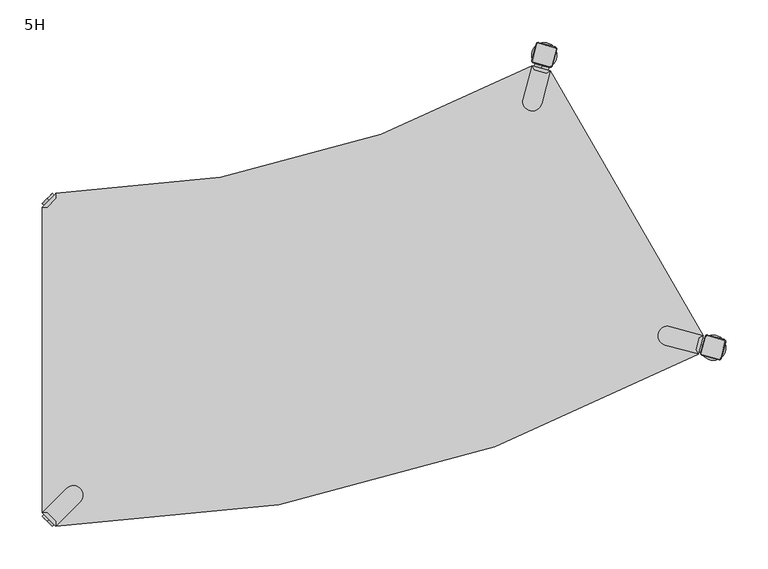
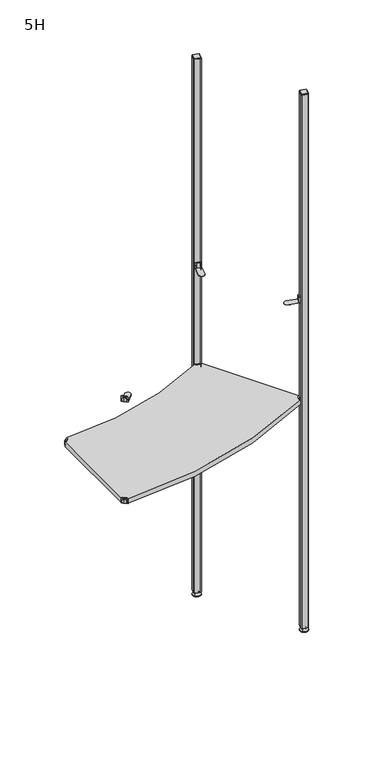
"""IFC4 building model written with IfcOpenShell, lengths in millimetres: furniture geometry, 5H."""

from ifc_helpers import new_model, si_unit, point, frame, frame_2d, origin, place, context, project, spatial, polyline, circle_curve, trimmed, segment, composite_curve, outline, extrude, source, transform, mapped, element, save
from ifc_brep_helpers import plane_surface, cylinder_surface, revolved_surface, advanced_brep


def furniture_5h_2b7b3fd9(model_context):
    return source(origin(), model_context, "Body", "SolidModel", [
        advanced_brep(
        [(784.3573865, 207.0864775, 0.0), (810.3381486, 222.0864775, 0.0), (797.3477675, 214.5864775, 0.0), (784.3573865, 207.0864775, 2.0), (810.3381486, 222.0864775, 2.0), (790.4195643, 210.5864775, 9.0), (804.2759707, 218.5864775, 9.0), (793.8836659, 212.5864775, 9.0), (800.8118691, 216.5864775, 9.0), (793.8836659, 212.5864775, 15.0), (800.8118691, 216.5864775, 15.0), (797.3477675, 214.5864775, 15.0)],
        [
            (0, 1, circle_curve(frame((797.3477675, 214.5864775, 0.0), z_axis=(0.0, 0.0, -1.0), x_axis=(0.8660254037844338, 0.5000000000000082, 0.0)), 15.0)),
            (1, 2),
            (2, 0),
            (1, 0, circle_curve(frame((797.3477675, 214.5864775, 0.0), z_axis=(0.0, 0.0, -1.0), x_axis=(0.8660254037844338, 0.5000000000000082, 0.0)), 15.0)),
            (3, 4, circle_curve(frame((797.3477675, 214.5864775, 2.0), z_axis=(0.0, 0.0, -1.0), x_axis=(0.8660254037844338, 0.5000000000000082, 0.0)), 15.0)),
            (4, 1),
            (0, 3),
            (4, 3, circle_curve(frame((797.3477675, 214.5864775, 2.0), z_axis=(0.0, 0.0, -1.0), x_axis=(0.8660254037844338, 0.5000000000000082, 0.0)), 15.0)),
            (5, 6, circle_curve(frame((797.3477675, 214.5864775, 9.0), z_axis=(0.0, 0.0, -1.0), x_axis=(0.8660254037844338, 0.5000000000000082, 0.0)), 8.0)),
            (6, 4),
            (3, 5),
            (6, 5, circle_curve(frame((797.3477675, 214.5864775, 9.0), z_axis=(0.0, 0.0, -1.0), x_axis=(0.8660254037844338, 0.5000000000000082, 0.0)), 8.0)),
            (7, 8, circle_curve(frame((797.3477675, 214.5864775, 9.0), z_axis=(0.0, 0.0, -1.0), x_axis=(0.8660254037844338, 0.5000000000000082, 0.0)), 4.0)),
            (8, 6),
            (5, 7),
            (8, 7, circle_curve(frame((797.3477675, 214.5864775, 9.0), z_axis=(0.0, 0.0, -1.0), x_axis=(0.8660254037844338, 0.5000000000000082, 0.0)), 4.0)),
            (9, 10, circle_curve(frame((797.3477675, 214.5864775, 15.0), z_axis=(0.0, 0.0, -1.0), x_axis=(0.8660254037844338, 0.5000000000000082, 0.0)), 4.0)),
            (10, 8),
            (7, 9),
            (10, 9, circle_curve(frame((797.3477675, 214.5864775, 15.0), z_axis=(0.0, 0.0, -1.0), x_axis=(0.8660254037844338, 0.5000000000000082, 0.0)), 4.0)),
            (11, 10),
            (9, 11),
        ],
        [
            plane_surface(frame((797.3477675, 214.5864775, 0.0), z_axis=(0.0, 0.0, -1.0), x_axis=(0.8660254037844339, 0.5000000000000083, 0.0))),
            cylinder_surface(frame((797.3477675, 214.5864775, 18.6083303), z_axis=(0.0, 0.0, 1.0), x_axis=(0.8660254037844338, 0.5000000000000082, 0.0)), 15.0),
            revolved_surface(polyline([(810.3381486, 222.0864775, 2.0), (804.2759707, 218.5864775, 9.0)]), (797.3477675, 214.5864775, 18.6083303), (0.0, 0.0, 1.0)),
            plane_surface(frame((797.3477675, 214.5864775, 9.0), z_axis=(0.0, 0.0, 1.0), x_axis=(0.8660254037844339, 0.5000000000000083, 0.0))),
            cylinder_surface(frame((797.3477675, 214.5864775, 18.6083303), z_axis=(0.0, 0.0, 1.0), x_axis=(0.8660254037844338, 0.5000000000000082, 0.0)), 4.0),
            plane_surface(frame((797.3477675, 214.5864775, 15.0), z_axis=(0.0, 0.0, 1.0), x_axis=(0.8660254037844339, 0.5000000000000083, 0.0))),
        ],
        [
            (0, [[1, 2, 3]]),
            (0, [[4, -3, -2]]),
            (1, [[5, 6, -1, 7]]),
            (1, [[8, -7, -4, -6]]),
            (2, [[9, 10, -5, 11]]),
            (2, [[12, -11, -8, -10]]),
            (3, [[13, 14, -9, 15]]),
            (3, [[16, -15, -12, -14]]),
            (4, [[17, 18, -13, 19]]),
            (4, [[20, -19, -16, -18]]),
            (5, [[21, -17, 22]]),
            (5, [[-22, -20, -21]]),
        ],
    ),
        advanced_brep(
        [(788.6346258, 227.2739186, 2117.0), (783.4582449, 207.9554021, 2117.0), (784.6603264, 205.8733358, 2117.0), (803.9788429, 200.6969549, 2117.0), (806.0609092, 201.8990364, 2117.0), (811.2372901, 221.2175529, 2117.0), (810.0352086, 223.2996192, 2117.0), (790.7166921, 228.4760001, 2117.0), (787.8618851, 227.4809738, 2115.0), (790.9237473, 229.2487408, 2115.0), (810.2422638, 224.0723599, 2115.0), (812.0100308, 221.0104977, 2115.0), (806.8336499, 201.6919812, 2115.0), (803.7717877, 199.9242142, 2115.0), (784.4532712, 205.1005951, 2115.0), (782.6855042, 208.1624573, 2115.0)],
        [
            (0, 1),
            (1, 2, circle_curve(frame((785.1003188, 207.5154097, 2117.0), z_axis=(0.0, 0.0, 1.0), x_axis=(-0.965925826289073, 0.25881904510250314, 0.0)), 1.7)),
            (2, 3),
            (3, 4, circle_curve(frame((804.4188353, 202.3390288, 2117.0), z_axis=(0.0, 0.0, 1.0), x_axis=(-0.25881904510251363, -0.9659258262890702, 0.0)), 1.7)),
            (4, 5),
            (5, 6, circle_curve(frame((809.5952162, 221.6575453, 2117.0), z_axis=(0.0, 0.0, 1.0), x_axis=(0.9659258262890675, -0.258819045102523, 0.0)), 1.7)),
            (6, 7),
            (7, 0, circle_curve(frame((790.2766997, 226.8339262, 2117.0), z_axis=(0.0, 0.0, 1.0), x_axis=(0.25881904510250914, 0.9659258262890713, 0.0)), 1.7)),
            (8, 9, circle_curve(frame((790.2766997, 226.8339262, 2115.0), z_axis=(0.0, 0.0, -1.0), x_axis=(0.25881904510250914, 0.9659258262890713, 0.0)), 2.5)),
            (9, 10),
            (10, 11, circle_curve(frame((809.5952162, 221.6575453, 2115.0), z_axis=(0.0, 0.0, -1.0), x_axis=(0.9659258262890675, -0.258819045102523, 0.0)), 2.5)),
            (11, 12),
            (12, 13, circle_curve(frame((804.4188353, 202.3390288, 2115.0), z_axis=(0.0, 0.0, -1.0), x_axis=(-0.25881904510251363, -0.9659258262890702, 0.0)), 2.5)),
            (13, 14),
            (14, 15, circle_curve(frame((785.1003188, 207.5154097, 2115.0), z_axis=(0.0, 0.0, -1.0), x_axis=(-0.965925826289073, 0.25881904510250314, 0.0)), 2.5)),
            (15, 8),
            (15, 1),
            (0, 8),
            (14, 2),
            (13, 3),
            (12, 4),
            (11, 5),
            (10, 6),
            (9, 7),
        ],
        [
            plane_surface(frame((797.3477675, 214.5864775, 2117.0), z_axis=(0.0, 0.0, 1.0000000000000002), x_axis=(-0.9659258262890712, 0.2588190451025102, 0.0))),
            plane_surface(frame((797.3477675, 214.5864775, 2115.0), z_axis=(0.0, 0.0, -1.0000000000000002), x_axis=(-0.9659258262890712, 0.2588190451025102, 0.0))),
            plane_surface(frame((785.2736947, 217.8217156, 2115.0), z_axis=(-0.8968396148335178, 0.24030745053486183, 0.37139067635402817), x_axis=(-0.25881904510250225, -0.9659258262890733, 0.0))),
            revolved_surface(polyline([(783.458244872, 207.95540206799998, 2117.0), (782.6855042, 208.1624573, 2115.0)]), (785.1003188, 207.5154097, 2121.25), (0.0, 0.0, -1.0)),
            plane_surface(frame((794.1125294, 202.5124047, 2115.0), z_axis=(-0.2403074505348654, -0.8968396148335208, 0.37139067635401873), x_axis=(0.9659258262890725, -0.2588190451025051, 0.0))),
            revolved_surface(polyline([(803.978842932, 200.696954872, 2117.0), (803.7717877, 199.9242142, 2115.0)]), (804.4188353, 202.3390288, 2121.25), (0.0, 0.0, -1.0)),
            plane_surface(frame((809.4218403, 211.3512394, 2115.0), z_axis=(0.8968396148335338, -0.24030745053487898, 0.3713906763539787), x_axis=(0.25881904510252046, 0.9659258262890684, 0.0))),
            revolved_surface(polyline([(811.2372901279999, 221.21755293200002, 2117.0), (812.0100308, 221.0104977, 2115.0)]), (809.5952162, 221.6575453, 2121.25), (0.0, 0.0, -1.0)),
            plane_surface(frame((800.5830056, 226.6605503, 2115.0), z_axis=(0.24030745053488872, 0.8968396148335293, 0.3713906763539829), x_axis=(-0.9659258262890682, 0.25881904510252096, 0.0))),
            revolved_surface(polyline([(790.7166920679999, 228.476000128, 2117.0), (790.9237473, 229.2487408, 2115.0)]), (790.2766997, 226.8339262, 2121.25), (0.0, 0.0, -1.0)),
        ],
        [
            (0, [[1, 2, 3, 4, 5, 6, 7, 8]]),
            (1, [[9, 10, 11, 12, 13, 14, 15, 16]]),
            (2, [[-16, 17, -1, 18]]),
            (3, [[-15, 19, -2, -17]]),
            (4, [[-14, 20, -3, -19]]),
            (5, [[-13, 21, -4, -20]]),
            (6, [[-12, 22, -5, -21]]),
            (7, [[-11, 23, -6, -22]]),
            (8, [[-10, 24, -7, -23]]),
            (9, [[-9, -18, -8, -24]]),
        ],
    ),
        extrude(outline(composite_curve([segment(trimmed(circle_curve(frame_2d((809.5952162, 221.6575453)), 2.5), [point((810.2422638, 224.0723599))], [point((812.0100308, 221.0104977))], False, "CARTESIAN"), True, "CONTINUOUS"), segment(polyline([(812.0100308, 221.0104977), (806.8336499, 201.6919812)]), True, "CONTINUOUS"), segment(trimmed(circle_curve(frame_2d((804.4188353, 202.3390288)), 2.5), [point((806.8336499, 201.6919812))], [point((803.7717877, 199.9242142))], False, "CARTESIAN"), True, "CONTINUOUS"), segment(polyline([(803.7717877, 199.9242142), (784.4532712, 205.1005951)]), True, "CONTINUOUS"), segment(trimmed(circle_curve(frame_2d((785.1003188, 207.5154097)), 2.5), [point((784.4532712, 205.1005951))], [point((782.6855042, 208.1624573))], False, "CARTESIAN"), True, "CONTINUOUS"), segment(polyline([(782.6855042, 208.1624573), (787.8618851, 227.4809738)]), True, "CONTINUOUS"), segment(trimmed(circle_curve(frame_2d((790.2766997, 226.8339262)), 2.5), [point((787.8618851, 227.4809738))], [point((790.9237473, 229.2487408))], False, "CARTESIAN"), True, "CONTINUOUS"), segment(polyline([(790.9237473, 229.2487408), (810.2422638, 224.0723599)]), True, "CONTINUOUS")], self_intersect=False)), frame((0.0, 0.0, 15.0), z_axis=(0.0, 0.0, 1.0), x_axis=(1.0, 0.0, 0.0)), (0.0, 0.0, 1.0), 2100.0),
        advanced_brep(
        [(584.3575668, 553.4963267, 0.0), (597.3479479, 560.9963267, 0.0), (610.3383289, 568.4963267, 0.0), (584.3575668, 553.4963267, 2.0), (610.3383289, 568.4963267, 2.0), (590.4197446, 556.9963267, 9.0), (604.2761511, 564.9963267, 9.0), (593.8838462, 558.9963267, 9.0), (600.8120495, 562.9963267, 9.0), (593.8838462, 558.9963267, 15.0), (600.8120495, 562.9963267, 15.0), (597.3479479, 560.9963267, 15.0)],
        [
            (0, 1),
            (1, 2),
            (2, 0, circle_curve(frame((597.3479479, 560.9963267, 0.0), z_axis=(0.0, 0.0, -1.0), x_axis=(0.866025403784441, 0.4999999999999961, 0.0)), 15.0)),
            (0, 2, circle_curve(frame((597.3479479, 560.9963267, 0.0), z_axis=(0.0, 0.0, -1.0), x_axis=(0.866025403784441, 0.4999999999999961, 0.0)), 15.0)),
            (3, 0),
            (2, 4),
            (4, 3, circle_curve(frame((597.3479479, 560.9963267, 2.0), z_axis=(0.0, 0.0, -1.0), x_axis=(0.866025403784441, 0.4999999999999961, 0.0)), 15.0)),
            (3, 4, circle_curve(frame((597.3479479, 560.9963267, 2.0), z_axis=(0.0, 0.0, -1.0), x_axis=(0.866025403784441, 0.4999999999999961, 0.0)), 15.0)),
            (5, 3),
            (4, 6),
            (6, 5, circle_curve(frame((597.3479479, 560.9963267, 9.0), z_axis=(0.0, 0.0, -1.0), x_axis=(0.866025403784441, 0.4999999999999961, 0.0)), 8.0)),
            (5, 6, circle_curve(frame((597.3479479, 560.9963267, 9.0), z_axis=(0.0, 0.0, -1.0), x_axis=(0.866025403784441, 0.4999999999999961, 0.0)), 8.0)),
            (7, 5),
            (6, 8),
            (8, 7, circle_curve(frame((597.3479479, 560.9963267, 9.0), z_axis=(0.0, 0.0, -1.0), x_axis=(0.866025403784441, 0.4999999999999961, 0.0)), 4.0)),
            (7, 8, circle_curve(frame((597.3479479, 560.9963267, 9.0), z_axis=(0.0, 0.0, -1.0), x_axis=(0.866025403784441, 0.4999999999999961, 0.0)), 4.0)),
            (9, 7),
            (8, 10),
            (10, 9, circle_curve(frame((597.3479479, 560.9963267, 15.0), z_axis=(0.0, 0.0, -1.0), x_axis=(0.866025403784441, 0.4999999999999961, 0.0)), 4.0)),
            (9, 10, circle_curve(frame((597.3479479, 560.9963267, 15.0), z_axis=(0.0, 0.0, -1.0), x_axis=(0.866025403784441, 0.4999999999999961, 0.0)), 4.0)),
            (11, 9),
            (10, 11),
        ],
        [
            plane_surface(frame((597.3479479, 560.9963267, 0.0), z_axis=(0.0, 0.0, -1.0000000000000002), x_axis=(0.866025403784441, 0.4999999999999961, 0.0))),
            cylinder_surface(frame((597.3479479, 560.9963267, 18.6083303), z_axis=(0.0, 0.0, 1.0), x_axis=(0.866025403784441, 0.4999999999999961, 0.0)), 15.0),
            revolved_surface(polyline([(610.3383289, 568.4963267, 2.0), (604.2761511, 564.9963267, 9.0)]), (597.3479479, 560.9963267, 18.6083303), (0.0, 0.0, 1.0)),
            plane_surface(frame((597.3479479, 560.9963267, 9.0), z_axis=(0.0, 0.0, 1.0000000000000002), x_axis=(0.866025403784441, 0.4999999999999961, 0.0))),
            cylinder_surface(frame((597.3479479, 560.9963267, 18.6083303), z_axis=(0.0, 0.0, 1.0), x_axis=(0.866025403784441, 0.4999999999999961, 0.0)), 4.0),
            plane_surface(frame((597.3479479, 560.9963267, 15.0), z_axis=(0.0, 0.0, 1.0000000000000002), x_axis=(0.866025403784441, 0.4999999999999961, 0.0))),
        ],
        [
            (0, [[1, 2, 3]]),
            (0, [[-2, -1, 4]]),
            (1, [[5, -3, 6, 7]]),
            (1, [[-6, -4, -5, 8]]),
            (2, [[9, -7, 10, 11]]),
            (2, [[-10, -8, -9, 12]]),
            (3, [[13, -11, 14, 15]]),
            (3, [[-14, -12, -13, 16]]),
            (4, [[17, -15, 18, 19]]),
            (4, [[-18, -16, -17, 20]]),
            (5, [[21, -19, 22]]),
            (5, [[-22, -20, -21]]),
        ],
    ),
        advanced_brep(
        [(603.9790233, 547.106804, 2117.0), (606.0610896, 548.3088856, 2117.0), (611.2374705, 567.6274021, 2117.0), (610.0353889, 569.7094684, 2117.0), (590.7168724, 574.8858493, 2117.0), (588.6348061, 573.6837677, 2117.0), (583.4584252, 554.3652512, 2117.0), (584.6605068, 552.2831849, 2117.0), (603.7719681, 546.3340634, 2115.0), (584.4534515, 551.5104443, 2115.0), (582.6856846, 554.5723065, 2115.0), (587.8620655, 573.890823, 2115.0), (590.9239277, 575.6585899, 2115.0), (610.2424442, 570.482209, 2115.0), (612.0102111, 567.4203469, 2115.0), (606.8338302, 548.1018303, 2115.0)],
        [
            (0, 1, circle_curve(frame((604.4190157, 548.7488779, 2117.0), z_axis=(0.0, 0.0, 1.0), x_axis=(0.9659258262890666, -0.2588190451025275, 0.0)), 1.7)),
            (1, 2),
            (2, 3, circle_curve(frame((609.5953966, 568.0673945, 2117.0), z_axis=(0.0, 0.0, 1.0), x_axis=(0.2588190451025136, 0.9659258262890702, 0.0)), 1.7)),
            (3, 4),
            (4, 5, circle_curve(frame((590.27688, 573.2437754, 2117.0), z_axis=(0.0, 0.0, 1.0), x_axis=(-0.9659258262890679, 0.25881904510252307, 0.0)), 1.7)),
            (5, 6),
            (6, 7, circle_curve(frame((585.1004991, 553.9252588, 2117.0), z_axis=(0.0, 0.0, 1.0), x_axis=(-0.2588190451025336, -0.9659258262890651, 0.0)), 1.7)),
            (7, 0),
            (8, 9),
            (9, 10, circle_curve(frame((585.1004991, 553.9252588, 2115.0), z_axis=(0.0, 0.0, -1.0), x_axis=(-0.2588190451025336, -0.9659258262890651, 0.0)), 2.5)),
            (10, 11),
            (11, 12, circle_curve(frame((590.27688, 573.2437754, 2115.0), z_axis=(0.0, 0.0, -1.0), x_axis=(-0.9659258262890679, 0.25881904510252307, 0.0)), 2.5)),
            (12, 13),
            (13, 14, circle_curve(frame((609.5953966, 568.0673945, 2115.0), z_axis=(0.0, 0.0, -1.0), x_axis=(0.2588190451025136, 0.9659258262890702, 0.0)), 2.5)),
            (14, 15),
            (15, 8, circle_curve(frame((604.4190157, 548.7488779, 2115.0), z_axis=(0.0, 0.0, -1.0), x_axis=(0.9659258262890666, -0.2588190451025275, 0.0)), 2.5)),
            (8, 0),
            (7, 9),
            (6, 10),
            (5, 11),
            (4, 12),
            (3, 13),
            (2, 14),
            (1, 15),
        ],
        [
            plane_surface(frame((597.3479479, 560.9963267, 2117.0), z_axis=(0.0, 0.0, 1.0000000000000002), x_axis=(-0.25881904510252657, -0.9659258262890669, 0.0))),
            plane_surface(frame((597.3479479, 560.9963267, 2115.0), z_axis=(0.0, 0.0, -1.0000000000000002), x_axis=(-0.25881904510252657, -0.9659258262890669, 0.0))),
            plane_surface(frame((594.1127098, 548.9222538, 2115.0), z_axis=(-0.24030745053489166, -0.8968396148335098, 0.37139067635402817), x_axis=(-0.9659258262890646, 0.2588190451025344, 0.0))),
            revolved_surface(polyline([(584.660506732, 552.2831849400001, 2117.0), (584.4534515, 551.5104443, 2115.0)]), (585.1004991, 553.9252588, 2121.25), (0.0, 0.0, -1.0)),
            plane_surface(frame((585.273875, 564.2315647, 2115.0), z_axis=(-0.8968396148335143, 0.2403074505348901, 0.37139067635401884), x_axis=(0.2588190451025317, 0.9659258262890655, 0.0))),
            revolved_surface(polyline([(588.63480614, 573.6837677679999, 2117.0), (587.8620655, 573.890823, 2115.0)]), (590.27688, 573.2437754, 2121.25), (0.0, 0.0, -1.0)),
            plane_surface(frame((600.5831859, 573.0703995, 2115.0), z_axis=(0.24030745053488473, 0.8968396148335321, 0.3713906763539787), x_axis=(0.9659258262890695, -0.2588190451025162, 0.0))),
            revolved_surface(polyline([(610.035388968, 569.70946836, 2117.0), (610.2424442, 570.482209, 2115.0)]), (609.5953966, 568.0673945, 2121.25), (0.0, 0.0, -1.0)),
            plane_surface(frame((609.4220207, 557.7610886, 2115.0), z_axis=(0.8968396148335332, -0.24030745053487412, 0.37139067635398293), x_axis=(-0.2588190451025157, -0.9659258262890696, 0.0))),
            revolved_surface(polyline([(606.06108956, 548.308885532, 2117.0), (606.8338302, 548.1018303, 2115.0)]), (604.4190157, 548.7488779, 2121.25), (0.0, 0.0, -1.0)),
        ],
        [
            (0, [[1, 2, 3, 4, 5, 6, 7, 8]]),
            (1, [[9, 10, 11, 12, 13, 14, 15, 16]]),
            (2, [[17, -8, 18, -9]]),
            (3, [[-18, -7, 19, -10]]),
            (4, [[-19, -6, 20, -11]]),
            (5, [[-20, -5, 21, -12]]),
            (6, [[-21, -4, 22, -13]]),
            (7, [[-22, -3, 23, -14]]),
            (8, [[-23, -2, 24, -15]]),
            (9, [[-24, -1, -17, -16]]),
        ],
    ),
        extrude(outline(composite_curve([segment(polyline([(612.0102111, 567.4203469), (606.8338302, 548.1018303)]), True, "CONTINUOUS"), segment(trimmed(circle_curve(frame_2d((604.4190157, 548.7488779)), 2.5), [point((606.8338302, 548.1018303))], [point((603.7719681, 546.3340634))], False, "CARTESIAN"), True, "CONTINUOUS"), segment(polyline([(603.7719681, 546.3340634), (584.4534515, 551.5104443)]), True, "CONTINUOUS"), segment(trimmed(circle_curve(frame_2d((585.1004991, 553.9252588)), 2.5), [point((584.4534515, 551.5104443))], [point((582.6856846, 554.5723065))], False, "CARTESIAN"), True, "CONTINUOUS"), segment(polyline([(582.6856846, 554.5723065), (587.8620655, 573.890823)]), True, "CONTINUOUS"), segment(trimmed(circle_curve(frame_2d((590.27688, 573.2437754)), 2.5), [point((587.8620655, 573.890823))], [point((590.9239277, 575.6585899))], False, "CARTESIAN"), True, "CONTINUOUS"), segment(polyline([(590.9239277, 575.6585899), (610.2424442, 570.482209)]), True, "CONTINUOUS"), segment(trimmed(circle_curve(frame_2d((609.5953966, 568.0673945)), 2.5), [point((610.2424442, 570.482209))], [point((612.0102111, 567.4203469))], False, "CARTESIAN"), True, "CONTINUOUS")], self_intersect=False)), frame((0.0, 0.0, 15.0), z_axis=(0.0, 0.0, 1.0), x_axis=(1.0, 0.0, 0.0)), (0.0, 0.0, 1.0), 2100.0),
        advanced_brep(
        [(10.9601551, 10.9601551, 898.5), (10.9601551, 10.9601551, 907.0), (10.9601551, 10.9601551, 915.5), (8.8388348, 8.8388348, 898.5), (8.8388348, 8.8388348, 915.5), (8.8388348, 8.8388348, 907.0)],
        [
            (0, 1),
            (1, 2),
            (2, 0, circle_curve(frame((10.9601551, 10.9601551, 907.0), z_axis=(0.7071067811865465, 0.7071067811865486, 0.0), x_axis=(0.0, 0.0, 1.0)), 8.5)),
            (0, 2, circle_curve(frame((10.9601551, 10.9601551, 907.0), z_axis=(0.7071067811865465, 0.7071067811865486, 0.0), x_axis=(0.0, 0.0, 1.0)), 8.5)),
            (3, 0),
            (2, 4),
            (4, 3, circle_curve(frame((8.8388348, 8.8388348, 907.0), z_axis=(0.7071067811865465, 0.7071067811865486, 0.0), x_axis=(0.0, 0.0, 1.0)), 8.5)),
            (3, 4, circle_curve(frame((8.8388348, 8.8388348, 907.0), z_axis=(0.7071067811865465, 0.7071067811865486, 0.0), x_axis=(0.0, 0.0, 1.0)), 8.5)),
            (5, 3),
            (4, 5),
        ],
        [
            plane_surface(frame((10.9601551, 10.9601551, 907.0), z_axis=(0.7071067811865461, 0.707106781186549, 0.0), x_axis=(0.0, 0.0, 1.0))),
            cylinder_surface(frame((8.8388348, 8.8388348, 907.0), z_axis=(-0.7071067811865465, -0.7071067811865486, 0.0), x_axis=(0.0, 0.0, 1.0)), 8.5),
            plane_surface(frame((8.8388348, 8.8388348, 907.0), z_axis=(-0.7071067811865461, -0.707106781186549, 0.0), x_axis=(0.0, 0.0, 1.0))),
        ],
        [
            (0, [[1, 2, 3]]),
            (0, [[-2, -1, 4]]),
            (1, [[5, -3, 6, 7]]),
            (1, [[-6, -4, -5, 8]]),
            (2, [[9, -7, 10]]),
            (2, [[-10, -8, -9]]),
        ],
    ),
        advanced_brep(
        [(18.9203102, 3.0, 917.0), (18.9203102, 8.6568542, 917.0), (8.6568542, 18.9203102, 917.0), (3.0, 18.9203102, 917.0), (3.0, 18.9203102, 898.0), (3.0, 18.9203102, 897.0), (18.9203102, 3.0, 897.0), (18.9203102, 3.0, 898.0), (18.9203102, 8.6568542, 898.0), (8.6568542, 18.9203102, 898.0), (47.7297077, 31.8093975, 898.0), (31.8093975, 47.7297077, 898.0), (31.8093975, 47.7297077, 897.0), (47.7297077, 31.8093975, 897.0)],
        [
            (0, 1),
            (1, 2),
            (2, 3),
            (3, 0),
            (3, 4),
            (4, 5),
            (5, 6),
            (6, 7),
            (7, 0),
            (1, 8),
            (8, 9),
            (9, 2),
            (7, 8),
            (9, 4),
            (7, 10),
            (10, 11, circle_curve(frame((39.7695526, 39.7695526, 898.0), z_axis=(0.0, 0.0, 1.0), x_axis=(1.0, 0.0, 0.0)), 11.2573593)),
            (11, 4),
            (5, 12),
            (12, 13, circle_curve(frame((39.7695526, 39.7695526, 897.0), z_axis=(0.0, 0.0, -1.0), x_axis=(1.0, 0.0, 0.0)), 11.2573593)),
            (13, 6),
            (11, 12),
            (10, 13),
        ],
        [
            plane_surface(frame((-38.8756299, 60.7959401, 917.0), z_axis=(0.0, 0.0, 1.0), x_axis=(-0.7071067811865556, 0.7071067811865396, 0.0))),
            plane_surface(frame((18.9203102, 3.0, 917.0), z_axis=(-0.7071067811865396, -0.7071067811865556, 0.0), x_axis=(0.0, 0.0, -1.0))),
            plane_surface(frame((8.6568542, 18.9203102, 917.0), z_axis=(0.7071067811865482, 0.7071067811865468, 0.0), x_axis=(0.0, 0.0, -1.0))),
            plane_surface(frame((18.9203102, 8.6568542, 917.0), z_axis=(1.0, 0.0, 0.0), x_axis=(0.0, 0.0, -1.0))),
            plane_surface(frame((3.0, 18.9203102, 917.0), z_axis=(0.0, 1.0, 0.0), x_axis=(0.0, 0.0, -1.0))),
            plane_surface(frame((3.0, 18.9203102, 898.0), z_axis=(0.0, 0.0, 1.0), x_axis=(-0.7071067811865483, 0.7071067811865467, 0.0))),
            plane_surface(frame((3.0, 18.9203102, 897.0), z_axis=(0.0, 0.0, -1.0), x_axis=(0.7071067811865483, -0.7071067811865467, 0.0))),
            plane_surface(frame((3.0, 18.9203102, 898.0), z_axis=(-0.707106781186549, 0.7071067811865461, 0.0), x_axis=(0.0, 0.0, -1.0))),
            cylinder_surface(frame((39.7695526, 39.7695526, 897.0), z_axis=(0.0, 0.0, 1.0), x_axis=(1.0, 0.0, 0.0)), 11.2573593),
            plane_surface(frame((47.7297077, 31.8093975, 898.0), z_axis=(0.7071067811865479, -0.7071067811865472, 0.0), x_axis=(0.0, 0.0, -1.0))),
        ],
        [
            (0, [[1, 2, 3, 4]]),
            (1, [[5, 6, 7, 8, 9, -4]]),
            (2, [[10, 11, 12, -2]]),
            (3, [[-9, 13, -10, -1]]),
            (4, [[-12, 14, -5, -3]]),
            (5, [[-14, -11, -13, 15, 16, 17]]),
            (6, [[-7, 18, 19, 20]]),
            (7, [[21, -18, -6, -17]]),
            (8, [[22, -19, -21, -16]]),
            (9, [[-8, -20, -22, -15]]),
        ],
    ),
        advanced_brep(
        [(782.7920217, 217.8852702, 898.5), (782.7920217, 217.8852702, 915.5), (782.7920217, 217.8852702, 907.0), (785.6897991, 217.108813, 898.5), (785.6897991, 217.108813, 915.5), (785.6897991, 217.108813, 907.0)],
        [
            (0, 1, circle_curve(frame((782.7920217, 217.8852702, 907.0), z_axis=(-0.9659258262890685, 0.25881904510252, 0.0), x_axis=(0.0, 0.0, 1.0)), 8.5)),
            (1, 2),
            (2, 0),
            (1, 0, circle_curve(frame((782.7920217, 217.8852702, 907.0), z_axis=(-0.9659258262890685, 0.25881904510252, 0.0), x_axis=(0.0, 0.0, 1.0)), 8.5)),
            (3, 4, circle_curve(frame((785.6897991, 217.108813, 907.0), z_axis=(-0.9659258262890685, 0.25881904510252, 0.0), x_axis=(0.0, 0.0, 1.0)), 8.5)),
            (4, 1),
            (0, 3),
            (4, 3, circle_curve(frame((785.6897991, 217.108813, 907.0), z_axis=(-0.9659258262890685, 0.25881904510252, 0.0), x_axis=(0.0, 0.0, 1.0)), 8.5)),
            (5, 4),
            (3, 5),
        ],
        [
            plane_surface(frame((782.7920217, 217.8852702, 907.0), z_axis=(-0.9659258262890684, 0.25881904510252063, 0.0), x_axis=(0.0, 0.0, 1.0))),
            cylinder_surface(frame((785.6897991, 217.108813, 907.0), z_axis=(0.9659258262890685, -0.25881904510252, 0.0), x_axis=(0.0, 0.0, 1.0)), 8.5),
            plane_surface(frame((785.6897991, 217.108813, 907.0), z_axis=(0.9659258262890684, -0.25881904510252063, 0.0), x_axis=(0.0, 0.0, 1.0))),
        ],
        [
            (0, [[1, 2, 3]]),
            (0, [[4, -3, -2]]),
            (1, [[5, 6, -1, 7]]),
            (1, [[8, -7, -4, -6]]),
            (2, [[9, -5, 10]]),
            (2, [[-10, -8, -9]]),
        ],
    ),
        advanced_brep(
        [(779.8784027, 207.0114961, 917.0), (785.7056407, 228.7590443, 917.0), (780.8066612, 225.9306171, 917.0), (777.0499756, 211.9104756, 917.0), (779.8784027, 207.0114961, 898.0), (779.8784027, 207.0114961, 897.0), (785.7056407, 228.7590443, 897.0), (785.7056407, 228.7590443, 898.0), (780.8066612, 225.9306171, 898.0), (777.0499756, 211.9104756, 898.0), (746.3512718, 239.3040156, 898.0), (740.5240338, 217.5564674, 898.0), (740.5240338, 217.5564674, 897.0), (746.3512718, 239.3040156, 897.0)],
        [
            (0, 1),
            (1, 2),
            (2, 3),
            (3, 0),
            (0, 4),
            (4, 5),
            (5, 6),
            (6, 7),
            (7, 1),
            (2, 8),
            (8, 9),
            (9, 3),
            (9, 4),
            (7, 8),
            (7, 10),
            (10, 11, circle_curve(frame((743.4376528, 228.4302415, 898.0), z_axis=(0.0, 0.0, 1.0), x_axis=(-0.8660254037844375, -0.5000000000000021, 0.0)), 11.2573593)),
            (11, 4),
            (5, 12),
            (12, 13, circle_curve(frame((743.4376528, 228.4302415, 897.0), z_axis=(0.0, 0.0, -1.0), x_axis=(-0.8660254037844375, -0.5000000000000021, 0.0)), 11.2573593)),
            (13, 6),
            (13, 10),
            (12, 11),
        ],
        [
            plane_surface(frame((801.033185, 285.9622185, 917.0), z_axis=(0.0, 0.0, 1.0), x_axis=(0.25881904510252957, 0.965925826289066, 0.0))),
            plane_surface(frame((779.8784027, 207.0114961, 917.0), z_axis=(0.965925826289066, -0.25881904510252957, 0.0), x_axis=(0.0, 0.0, -1.0))),
            plane_surface(frame((780.8066612, 225.9306171, 917.0), z_axis=(-0.9659258262890692, 0.2588190451025176, 0.0), x_axis=(0.0, 0.0, -1.0))),
            plane_surface(frame((777.0499756, 211.9104756, 917.0), z_axis=(-0.866025403784462, -0.4999999999999597, 0.0), x_axis=(0.0, 0.0, -1.0))),
            plane_surface(frame((785.7056407, 228.7590443, 917.0), z_axis=(-0.4999999999999963, 0.8660254037844408, 0.0), x_axis=(0.0, 0.0, -1.0))),
            plane_surface(frame((785.7056407, 228.7590443, 898.0), z_axis=(0.0, 0.0, 1.0), x_axis=(0.2588190451025197, 0.9659258262890686, 0.0))),
            plane_surface(frame((785.7056407, 228.7590443, 897.0), z_axis=(0.0, 0.0, -1.0), x_axis=(-0.2588190451025197, -0.9659258262890686, 0.0))),
            plane_surface(frame((785.7056407, 228.7590443, 898.0), z_axis=(0.25881904510252063, 0.9659258262890684, 0.0), x_axis=(0.0, 0.0, -1.0))),
            cylinder_surface(frame((743.4376528, 228.4302415, 897.0), z_axis=(0.0, 0.0, 1.0), x_axis=(-0.8660254037844375, -0.5000000000000021, 0.0)), 11.2573593),
            plane_surface(frame((740.5240338, 217.5564674, 898.0), z_axis=(-0.2588190451025191, -0.9659258262890689, 0.0), x_axis=(0.0, 0.0, -1.0))),
        ],
        [
            (0, [[1, 2, 3, 4]]),
            (1, [[-1, 5, 6, 7, 8, 9]]),
            (2, [[-3, 10, 11, 12]]),
            (3, [[-4, -12, 13, -5]]),
            (4, [[-2, -9, 14, -10]]),
            (5, [[15, 16, 17, -13, -11, -14]]),
            (6, [[18, 19, 20, -7]]),
            (7, [[-15, -8, -20, 21]]),
            (8, [[-16, -21, -19, 22]]),
            (9, [[-17, -22, -18, -6]]),
        ],
    ),
        advanced_brep(
        [(593.7274939, 545.3267511, 898.5), (593.7274939, 545.3267511, 907.0), (593.7274939, 545.3267511, 915.5), (594.503951, 548.2245285, 898.5), (594.503951, 548.2245285, 915.5), (594.503951, 548.2245285, 907.0)],
        [
            (0, 1),
            (1, 2),
            (2, 0, circle_curve(frame((593.7274939, 545.3267511, 907.0), z_axis=(-0.25881904510252524, -0.9659258262890672, 0.0), x_axis=(0.0, 0.0, 1.0)), 8.5)),
            (0, 2, circle_curve(frame((593.7274939, 545.3267511, 907.0), z_axis=(-0.25881904510252524, -0.9659258262890672, 0.0), x_axis=(0.0, 0.0, 1.0)), 8.5)),
            (3, 0),
            (2, 4),
            (4, 3, circle_curve(frame((594.503951, 548.2245285, 907.0), z_axis=(-0.25881904510252524, -0.9659258262890672, 0.0), x_axis=(0.0, 0.0, 1.0)), 8.5)),
            (3, 4, circle_curve(frame((594.503951, 548.2245285, 907.0), z_axis=(-0.25881904510252524, -0.9659258262890672, 0.0), x_axis=(0.0, 0.0, 1.0)), 8.5)),
            (5, 3),
            (4, 5),
        ],
        [
            plane_surface(frame((593.7274939, 545.3267511, 907.0), z_axis=(-0.2588190451025247, -0.9659258262890673, 0.0), x_axis=(0.0, 0.0, 1.0))),
            cylinder_surface(frame((594.503951, 548.2245285, 907.0), z_axis=(0.25881904510252524, 0.9659258262890672, 0.0), x_axis=(0.0, 0.0, 1.0)), 8.5),
            plane_surface(frame((594.503951, 548.2245285, 907.0), z_axis=(0.2588190451025247, 0.9659258262890673, 0.0), x_axis=(0.0, 0.0, 1.0))),
        ],
        [
            (0, [[1, 2, 3]]),
            (0, [[-2, -1, 4]]),
            (1, [[5, -3, 6, 7]]),
            (1, [[-6, -4, -5, 8]]),
            (2, [[9, -7, 10]]),
            (2, [[-10, -8, -9]]),
        ],
    ),
        advanced_brep(
        [(582.8537198, 548.2403701, 917.0), (585.6821469, 543.3413906, 917.0), (599.7022885, 539.584705, 917.0), (604.601268, 542.4131321, 917.0), (604.601268, 542.4131321, 898.0), (604.601268, 542.4131321, 897.0), (582.8537198, 548.2403701, 897.0), (582.8537198, 548.2403701, 898.0), (585.6821469, 543.3413906, 898.0), (599.7022885, 539.584705, 898.0), (572.3087484, 508.8860012, 898.0), (594.0562966, 503.0587632, 898.0), (594.0562966, 503.0587632, 897.0), (572.3087484, 508.8860012, 897.0)],
        [
            (0, 1),
            (1, 2),
            (2, 3),
            (3, 0),
            (3, 4),
            (4, 5),
            (5, 6),
            (6, 7),
            (7, 0),
            (1, 8),
            (8, 9),
            (9, 2),
            (7, 8),
            (9, 4),
            (7, 10),
            (10, 11, circle_curve(frame((583.1825225, 505.9723822, 898.0), z_axis=(0.0, 0.0, 1.0), x_axis=(-0.8660254037844418, -0.49999999999999467, 0.0)), 11.2573593)),
            (11, 4),
            (5, 12),
            (12, 13, circle_curve(frame((583.1825225, 505.9723822, 897.0), z_axis=(0.0, 0.0, -1.0), x_axis=(-0.8660254037844418, -0.49999999999999467, 0.0)), 11.2573593)),
            (13, 6),
            (11, 12),
            (10, 13),
        ],
        [
            plane_surface(frame((661.8044422, 527.0855877, 917.0), z_axis=(0.0, 0.0, 1.0000000000000002), x_axis=(0.9659258262890698, -0.25881904510251574, 0.0))),
            plane_surface(frame((582.8537198, 548.2403701, 917.0), z_axis=(0.25881904510251574, 0.9659258262890698, 0.0), x_axis=(0.0, 0.0, -1.0))),
            plane_surface(frame((599.7022885, 539.584705, 917.0), z_axis=(-0.25881904510252757, -0.9659258262890665, 0.0), x_axis=(0.0, 0.0, -1.0))),
            plane_surface(frame((585.6821469, 543.3413906, 917.0), z_axis=(-0.8660254037844173, -0.5000000000000371, 0.0), x_axis=(0.0, 0.0, -1.0))),
            plane_surface(frame((604.601268, 542.4131321, 917.0), z_axis=(0.5000000000000004, -0.8660254037844385, 0.0), x_axis=(0.0, 0.0, -1.0))),
            plane_surface(frame((604.601268, 542.4131321, 898.0), z_axis=(0.0, 0.0, 1.0), x_axis=(0.9659258262890671, -0.25881904510252546, 0.0))),
            plane_surface(frame((604.601268, 542.4131321, 897.0), z_axis=(0.0, 0.0, -1.0), x_axis=(-0.9659258262890671, 0.25881904510252546, 0.0))),
            plane_surface(frame((604.601268, 542.4131321, 898.0), z_axis=(0.9659258262890673, -0.2588190451025247, 0.0), x_axis=(0.0, 0.0, -1.0))),
            cylinder_surface(frame((583.1825225, 505.9723822, 897.0), z_axis=(0.0, 0.0, 1.0), x_axis=(-0.8660254037844418, -0.49999999999999467, 0.0)), 11.2573593),
            plane_surface(frame((572.3087484, 508.8860012, 898.0), z_axis=(-0.9659258262890669, 0.2588190451025262, 0.0), x_axis=(0.0, 0.0, -1.0))),
        ],
        [
            (0, [[1, 2, 3, 4]]),
            (1, [[5, 6, 7, 8, 9, -4]]),
            (2, [[10, 11, 12, -2]]),
            (3, [[-9, 13, -10, -1]]),
            (4, [[-12, 14, -5, -3]]),
            (5, [[-14, -11, -13, 15, 16, 17]]),
            (6, [[-7, 18, 19, 20]]),
            (7, [[21, -18, -6, -17]]),
            (8, [[22, -19, -21, -16]]),
            (9, [[-8, -20, -22, -15]]),
        ],
    ),
        advanced_brep(
        [(10.9601551, 389.0398449, 898.5), (10.9601551, 389.0398449, 915.5), (10.9601551, 389.0398449, 907.0), (8.8388348, 391.1611652, 898.5), (8.8388348, 391.1611652, 915.5), (8.8388348, 391.1611652, 907.0)],
        [
            (0, 1, circle_curve(frame((10.9601551, 389.0398449, 907.0), z_axis=(0.7071067811865509, -0.7071067811865441, 0.0), x_axis=(0.0, 0.0, 1.0)), 8.5)),
            (1, 2),
            (2, 0),
            (1, 0, circle_curve(frame((10.9601551, 389.0398449, 907.0), z_axis=(0.7071067811865509, -0.7071067811865441, 0.0), x_axis=(0.0, 0.0, 1.0)), 8.5)),
            (3, 4, circle_curve(frame((8.8388348, 391.1611652, 907.0), z_axis=(0.7071067811865509, -0.7071067811865441, 0.0), x_axis=(0.0, 0.0, 1.0)), 8.5)),
            (4, 1),
            (0, 3),
            (4, 3, circle_curve(frame((8.8388348, 391.1611652, 907.0), z_axis=(0.7071067811865509, -0.7071067811865441, 0.0), x_axis=(0.0, 0.0, 1.0)), 8.5)),
            (5, 4),
            (3, 5),
        ],
        [
            plane_surface(frame((10.9601551, 389.0398449, 907.0), z_axis=(0.7071067811865506, -0.7071067811865446, 0.0), x_axis=(0.0, 0.0, 1.0))),
            cylinder_surface(frame((8.8388348, 391.1611652, 907.0), z_axis=(-0.7071067811865509, 0.7071067811865441, 0.0), x_axis=(0.0, 0.0, 1.0)), 8.5),
            plane_surface(frame((8.8388348, 391.1611652, 907.0), z_axis=(-0.7071067811865506, 0.7071067811865446, 0.0), x_axis=(0.0, 0.0, 1.0))),
        ],
        [
            (0, [[1, 2, 3]]),
            (0, [[4, -3, -2]]),
            (1, [[5, 6, -1, 7]]),
            (1, [[8, -7, -4, -6]]),
            (2, [[9, -5, 10]]),
            (2, [[-10, -8, -9]]),
        ],
    ),
        advanced_brep(
        [(18.9203102, 397.0, 917.0), (3.0, 381.0796898, 917.0), (8.6568542, 381.0796898, 917.0), (18.9203102, 391.3431458, 917.0), (18.9203102, 397.0, 898.0), (18.9203102, 397.0, 897.0), (3.0, 381.0796898, 897.0), (3.0, 381.0796898, 898.0), (8.6568542, 381.0796898, 898.0), (18.9203102, 391.3431458, 898.0), (31.8093975, 352.2702923, 898.0), (47.7297077, 368.1906025, 898.0), (47.7297077, 368.1906025, 897.0), (31.8093975, 352.2702923, 897.0)],
        [
            (0, 1),
            (1, 2),
            (2, 3),
            (3, 0),
            (0, 4),
            (4, 5),
            (5, 6),
            (6, 7),
            (7, 1),
            (2, 8),
            (8, 9),
            (9, 3),
            (9, 4),
            (7, 8),
            (7, 10),
            (10, 11, circle_curve(frame((39.7695526, 360.2304474, 898.0), z_axis=(0.0, 0.0, 1.0), x_axis=(1.0, 0.0, 0.0)), 11.2573593)),
            (11, 4),
            (5, 12),
            (12, 13, circle_curve(frame((39.7695526, 360.2304474, 897.0), z_axis=(0.0, 0.0, -1.0), x_axis=(1.0, 0.0, 0.0)), 11.2573593)),
            (13, 6),
            (13, 10),
            (12, 11),
        ],
        [
            plane_surface(frame((-38.8756299, 339.2040599, 917.0), z_axis=(0.0, 0.0, 1.0000000000000002), x_axis=(-0.7071067811865511, -0.707106781186544, 0.0))),
            plane_surface(frame((18.9203102, 397.0, 917.0), z_axis=(-0.707106781186544, 0.7071067811865511, 0.0), x_axis=(0.0, 0.0, -1.0))),
            plane_surface(frame((8.6568542, 381.0796898, 917.0), z_axis=(0.7071067811865527, -0.7071067811865424, 0.0), x_axis=(0.0, 0.0, -1.0))),
            plane_surface(frame((18.9203102, 391.3431458, 917.0), z_axis=(1.0, 0.0, 0.0), x_axis=(0.0, 0.0, -1.0))),
            plane_surface(frame((3.0, 381.0796898, 917.0), z_axis=(0.0, -1.0, 0.0), x_axis=(0.0, 0.0, -1.0))),
            plane_surface(frame((3.0, 381.0796898, 898.0), z_axis=(0.0, 0.0, 1.0), x_axis=(-0.7071067811865439, -0.7071067811865511, 0.0))),
            plane_surface(frame((3.0, 381.0796898, 897.0), z_axis=(0.0, 0.0, -1.0), x_axis=(0.7071067811865439, 0.7071067811865511, 0.0))),
            plane_surface(frame((3.0, 381.0796898, 898.0), z_axis=(-0.7071067811865446, -0.7071067811865506, 0.0), x_axis=(0.0, 0.0, -1.0))),
            cylinder_surface(frame((39.7695526, 360.2304474, 897.0), z_axis=(0.0, 0.0, 1.0), x_axis=(1.0, 0.0, 0.0)), 11.2573593),
            plane_surface(frame((47.7297077, 368.1906025, 898.0), z_axis=(0.7071067811865435, 0.7071067811865517, 0.0), x_axis=(0.0, 0.0, -1.0))),
        ],
        [
            (0, [[1, 2, 3, 4]]),
            (1, [[-1, 5, 6, 7, 8, 9]]),
            (2, [[-3, 10, 11, 12]]),
            (3, [[-4, -12, 13, -5]]),
            (4, [[-2, -9, 14, -10]]),
            (5, [[15, 16, 17, -13, -11, -14]]),
            (6, [[18, 19, 20, -7]]),
            (7, [[-15, -8, -20, 21]]),
            (8, [[-16, -21, -19, 22]]),
            (9, [[-17, -22, -18, -6]]),
        ],
    ),
        extrude(outline(composite_curve([segment(polyline([(3.0, 381.0796898), (8.6568542, 381.0796898), (18.9203102, 391.3431458), (18.9203102, 397.1493369)]), True, "CONTINUOUS"), segment(trimmed(circle_curve(frame_2d((0.0, 1595.6333221)), 1198.6333221), [point((18.9203102, 397.1493369))], [point((582.8586275, 548.2567608))], True, "CARTESIAN"), True, "CONTINUOUS"), segment(polyline([(582.8586275, 548.2567608), (585.6991478, 543.3368352), (599.7022885, 539.584705), (604.609961, 542.418151), (785.7022582, 228.7570914), (780.8066612, 225.9306171), (777.0494272, 211.9084292), (779.8770965, 207.0107625)]), True, "CONTINUOUS"), segment(trimmed(circle_curve(frame_2d((0.0, 1595.6333221)), 1592.6333221), [point((779.8770965, 207.0107625))], [point((18.9203102, 3.1123896))], False, "CARTESIAN"), True, "CONTINUOUS"), segment(polyline([(18.9203102, 3.1123896), (18.9203102, 8.6568542), (8.6568542, 18.9203102), (3.0, 18.9203102), (3.0, 381.0796898)]), True, "CONTINUOUS")], self_intersect=False)), frame((0.0, 0.0, 898.0), z_axis=(0.0, 0.0, 1.0), x_axis=(1.0, 0.0, 0.0)), (0.0, 0.0, 1.0), 19.0),
        advanced_brep(
        [(10.9601551, 10.9601551, 1298.5), (10.9601551, 10.9601551, 1307.0), (10.9601551, 10.9601551, 1315.5), (8.8388348, 8.8388348, 1298.5), (8.8388348, 8.8388348, 1315.5), (8.8388348, 8.8388348, 1307.0)],
        [
            (0, 1),
            (1, 2),
            (2, 0, circle_curve(frame((10.9601551, 10.9601551, 1307.0), z_axis=(0.7071067811865465, 0.7071067811865486, 0.0), x_axis=(0.0, 0.0, 1.0)), 8.5)),
            (0, 2, circle_curve(frame((10.9601551, 10.9601551, 1307.0), z_axis=(0.7071067811865465, 0.7071067811865486, 0.0), x_axis=(0.0, 0.0, 1.0)), 8.5)),
            (3, 0),
            (2, 4),
            (4, 3, circle_curve(frame((8.8388348, 8.8388348, 1307.0), z_axis=(0.7071067811865465, 0.7071067811865486, 0.0), x_axis=(0.0, 0.0, 1.0)), 8.5)),
            (3, 4, circle_curve(frame((8.8388348, 8.8388348, 1307.0), z_axis=(0.7071067811865465, 0.7071067811865486, 0.0), x_axis=(0.0, 0.0, 1.0)), 8.5)),
            (5, 3),
            (4, 5),
        ],
        [
            plane_surface(frame((10.9601551, 10.9601551, 1307.0), z_axis=(0.7071067811865461, 0.707106781186549, 0.0), x_axis=(0.0, 0.0, 1.0))),
            cylinder_surface(frame((8.8388348, 8.8388348, 1307.0), z_axis=(-0.7071067811865465, -0.7071067811865486, 0.0), x_axis=(0.0, 0.0, 1.0)), 8.5),
            plane_surface(frame((8.8388348, 8.8388348, 1307.0), z_axis=(-0.7071067811865461, -0.707106781186549, 0.0), x_axis=(0.0, 0.0, 1.0))),
        ],
        [
            (0, [[1, 2, 3]]),
            (0, [[-2, -1, 4]]),
            (1, [[5, -3, 6, 7]]),
            (1, [[-6, -4, -5, 8]]),
            (2, [[9, -7, 10]]),
            (2, [[-10, -8, -9]]),
        ],
    ),
        advanced_brep(
        [(18.9203102, 3.0, 1317.0), (18.9203102, 8.6568542, 1317.0), (8.6568542, 18.9203102, 1317.0), (3.0, 18.9203102, 1317.0), (3.0, 18.9203102, 1298.0), (3.0, 18.9203102, 1297.0), (18.9203102, 3.0, 1297.0), (18.9203102, 3.0, 1298.0), (18.9203102, 8.6568542, 1298.0), (8.6568542, 18.9203102, 1298.0), (47.7297077, 31.8093975, 1298.0), (31.8093975, 47.7297077, 1298.0), (31.8093975, 47.7297077, 1297.0), (47.7297077, 31.8093975, 1297.0)],
        [
            (0, 1),
            (1, 2),
            (2, 3),
            (3, 0),
            (3, 4),
            (4, 5),
            (5, 6),
            (6, 7),
            (7, 0),
            (1, 8),
            (8, 9),
            (9, 2),
            (7, 8),
            (9, 4),
            (7, 10),
            (10, 11, circle_curve(frame((39.7695526, 39.7695526, 1298.0), z_axis=(0.0, 0.0, 1.0), x_axis=(1.0, 0.0, 0.0)), 11.2573593)),
            (11, 4),
            (5, 12),
            (12, 13, circle_curve(frame((39.7695526, 39.7695526, 1297.0), z_axis=(0.0, 0.0, -1.0), x_axis=(1.0, 0.0, 0.0)), 11.2573593)),
            (13, 6),
            (11, 12),
            (10, 13),
        ],
        [
            plane_surface(frame((-38.8756299, 60.7959401, 1317.0), z_axis=(0.0, 0.0, 1.0), x_axis=(-0.7071067811865556, 0.7071067811865396, 0.0))),
            plane_surface(frame((18.9203102, 3.0, 1317.0), z_axis=(-0.7071067811865396, -0.7071067811865556, 0.0), x_axis=(0.0, 0.0, -1.0))),
            plane_surface(frame((8.6568542, 18.9203102, 1317.0), z_axis=(0.7071067811865482, 0.7071067811865468, 0.0), x_axis=(0.0, 0.0, -1.0))),
            plane_surface(frame((18.9203102, 8.6568542, 1317.0), z_axis=(1.0, 0.0, 0.0), x_axis=(0.0, 0.0, -1.0))),
            plane_surface(frame((3.0, 18.9203102, 1317.0), z_axis=(0.0, 1.0, 0.0), x_axis=(0.0, 0.0, -1.0))),
            plane_surface(frame((3.0, 18.9203102, 1298.0), z_axis=(0.0, 0.0, 1.0), x_axis=(-0.7071067811865483, 0.7071067811865467, 0.0))),
            plane_surface(frame((3.0, 18.9203102, 1297.0), z_axis=(0.0, 0.0, -1.0), x_axis=(0.7071067811865483, -0.7071067811865467, 0.0))),
            plane_surface(frame((3.0, 18.9203102, 1298.0), z_axis=(-0.707106781186549, 0.7071067811865461, 0.0), x_axis=(0.0, 0.0, -1.0))),
            cylinder_surface(frame((39.7695526, 39.7695526, 1297.0), z_axis=(0.0, 0.0, 1.0), x_axis=(1.0, 0.0, 0.0)), 11.2573593),
            plane_surface(frame((47.7297077, 31.8093975, 1298.0), z_axis=(0.7071067811865479, -0.7071067811865472, 0.0), x_axis=(0.0, 0.0, -1.0))),
        ],
        [
            (0, [[1, 2, 3, 4]]),
            (1, [[5, 6, 7, 8, 9, -4]]),
            (2, [[10, 11, 12, -2]]),
            (3, [[-9, 13, -10, -1]]),
            (4, [[-12, 14, -5, -3]]),
            (5, [[-14, -11, -13, 15, 16, 17]]),
            (6, [[-7, 18, 19, 20]]),
            (7, [[21, -18, -6, -17]]),
            (8, [[22, -19, -21, -16]]),
            (9, [[-8, -20, -22, -15]]),
        ],
    ),
        advanced_brep(
        [(782.7920217, 217.8852702, 1298.5), (782.7920217, 217.8852702, 1315.5), (782.7920217, 217.8852702, 1307.0), (785.6897991, 217.108813, 1298.5), (785.6897991, 217.108813, 1315.5), (785.6897991, 217.108813, 1307.0)],
        [
            (0, 1, circle_curve(frame((782.7920217, 217.8852702, 1307.0), z_axis=(-0.9659258262890685, 0.25881904510252, 0.0), x_axis=(0.0, 0.0, 1.0)), 8.5)),
            (1, 2),
            (2, 0),
            (1, 0, circle_curve(frame((782.7920217, 217.8852702, 1307.0), z_axis=(-0.9659258262890685, 0.25881904510252, 0.0), x_axis=(0.0, 0.0, 1.0)), 8.5)),
            (3, 4, circle_curve(frame((785.6897991, 217.108813, 1307.0), z_axis=(-0.9659258262890685, 0.25881904510252, 0.0), x_axis=(0.0, 0.0, 1.0)), 8.5)),
            (4, 1),
            (0, 3),
            (4, 3, circle_curve(frame((785.6897991, 217.108813, 1307.0), z_axis=(-0.9659258262890685, 0.25881904510252, 0.0), x_axis=(0.0, 0.0, 1.0)), 8.5)),
            (5, 4),
            (3, 5),
        ],
        [
            plane_surface(frame((782.7920217, 217.8852702, 1307.0), z_axis=(-0.9659258262890684, 0.25881904510252063, 0.0), x_axis=(0.0, 0.0, 1.0))),
            cylinder_surface(frame((785.6897991, 217.108813, 1307.0), z_axis=(0.9659258262890685, -0.25881904510252, 0.0), x_axis=(0.0, 0.0, 1.0)), 8.5),
            plane_surface(frame((785.6897991, 217.108813, 1307.0), z_axis=(0.9659258262890684, -0.25881904510252063, 0.0), x_axis=(0.0, 0.0, 1.0))),
        ],
        [
            (0, [[1, 2, 3]]),
            (0, [[4, -3, -2]]),
            (1, [[5, 6, -1, 7]]),
            (1, [[8, -7, -4, -6]]),
            (2, [[9, -5, 10]]),
            (2, [[-10, -8, -9]]),
        ],
    ),
        advanced_brep(
        [(779.8784027, 207.0114961, 1317.0), (785.7056407, 228.7590443, 1317.0), (780.8066612, 225.9306171, 1317.0), (777.0499756, 211.9104756, 1317.0), (779.8784027, 207.0114961, 1298.0), (779.8784027, 207.0114961, 1297.0), (785.7056407, 228.7590443, 1297.0), (785.7056407, 228.7590443, 1298.0), (780.8066612, 225.9306171, 1298.0), (777.0499756, 211.9104756, 1298.0), (746.3512718, 239.3040156, 1298.0), (740.5240338, 217.5564674, 1298.0), (740.5240338, 217.5564674, 1297.0), (746.3512718, 239.3040156, 1297.0)],
        [
            (0, 1),
            (1, 2),
            (2, 3),
            (3, 0),
            (0, 4),
            (4, 5),
            (5, 6),
            (6, 7),
            (7, 1),
            (2, 8),
            (8, 9),
            (9, 3),
            (9, 4),
            (7, 8),
            (7, 10),
            (10, 11, circle_curve(frame((743.4376528, 228.4302415, 1298.0), z_axis=(0.0, 0.0, 1.0), x_axis=(-0.8660254037844375, -0.5000000000000021, 0.0)), 11.2573593)),
            (11, 4),
            (5, 12),
            (12, 13, circle_curve(frame((743.4376528, 228.4302415, 1297.0), z_axis=(0.0, 0.0, -1.0), x_axis=(-0.8660254037844375, -0.5000000000000021, 0.0)), 11.2573593)),
            (13, 6),
            (13, 10),
            (12, 11),
        ],
        [
            plane_surface(frame((801.033185, 285.9622185, 1317.0), z_axis=(0.0, 0.0, 1.0), x_axis=(0.25881904510252957, 0.965925826289066, 0.0))),
            plane_surface(frame((779.8784027, 207.0114961, 1317.0), z_axis=(0.965925826289066, -0.25881904510252957, 0.0), x_axis=(0.0, 0.0, -1.0))),
            plane_surface(frame((780.8066612, 225.9306171, 1317.0), z_axis=(-0.9659258262890692, 0.2588190451025176, 0.0), x_axis=(0.0, 0.0, -1.0))),
            plane_surface(frame((777.0499756, 211.9104756, 1317.0), z_axis=(-0.866025403784462, -0.4999999999999597, 0.0), x_axis=(0.0, 0.0, -1.0))),
            plane_surface(frame((785.7056407, 228.7590443, 1317.0), z_axis=(-0.4999999999999963, 0.8660254037844408, 0.0), x_axis=(0.0, 0.0, -1.0))),
            plane_surface(frame((785.7056407, 228.7590443, 1298.0), z_axis=(0.0, 0.0, 1.0), x_axis=(0.2588190451025197, 0.9659258262890686, 0.0))),
            plane_surface(frame((785.7056407, 228.7590443, 1297.0), z_axis=(0.0, 0.0, -1.0), x_axis=(-0.2588190451025197, -0.9659258262890686, 0.0))),
            plane_surface(frame((785.7056407, 228.7590443, 1298.0), z_axis=(0.25881904510252063, 0.9659258262890684, 0.0), x_axis=(0.0, 0.0, -1.0))),
            cylinder_surface(frame((743.4376528, 228.4302415, 1297.0), z_axis=(0.0, 0.0, 1.0), x_axis=(-0.8660254037844375, -0.5000000000000021, 0.0)), 11.2573593),
            plane_surface(frame((740.5240338, 217.5564674, 1298.0), z_axis=(-0.2588190451025191, -0.9659258262890689, 0.0), x_axis=(0.0, 0.0, -1.0))),
        ],
        [
            (0, [[1, 2, 3, 4]]),
            (1, [[-1, 5, 6, 7, 8, 9]]),
            (2, [[-3, 10, 11, 12]]),
            (3, [[-4, -12, 13, -5]]),
            (4, [[-2, -9, 14, -10]]),
            (5, [[15, 16, 17, -13, -11, -14]]),
            (6, [[18, 19, 20, -7]]),
            (7, [[-15, -8, -20, 21]]),
            (8, [[-16, -21, -19, 22]]),
            (9, [[-17, -22, -18, -6]]),
        ],
    ),
        advanced_brep(
        [(593.7274939, 545.3267511, 1298.5), (593.7274939, 545.3267511, 1307.0), (593.7274939, 545.3267511, 1315.5), (594.503951, 548.2245285, 1298.5), (594.503951, 548.2245285, 1315.5), (594.503951, 548.2245285, 1307.0)],
        [
            (0, 1),
            (1, 2),
            (2, 0, circle_curve(frame((593.7274939, 545.3267511, 1307.0), z_axis=(-0.25881904510252524, -0.9659258262890672, 0.0), x_axis=(0.0, 0.0, 1.0)), 8.5)),
            (0, 2, circle_curve(frame((593.7274939, 545.3267511, 1307.0), z_axis=(-0.25881904510252524, -0.9659258262890672, 0.0), x_axis=(0.0, 0.0, 1.0)), 8.5)),
            (3, 0),
            (2, 4),
            (4, 3, circle_curve(frame((594.503951, 548.2245285, 1307.0), z_axis=(-0.25881904510252524, -0.9659258262890672, 0.0), x_axis=(0.0, 0.0, 1.0)), 8.5)),
            (3, 4, circle_curve(frame((594.503951, 548.2245285, 1307.0), z_axis=(-0.25881904510252524, -0.9659258262890672, 0.0), x_axis=(0.0, 0.0, 1.0)), 8.5)),
            (5, 3),
            (4, 5),
        ],
        [
            plane_surface(frame((593.7274939, 545.3267511, 1307.0), z_axis=(-0.2588190451025247, -0.9659258262890673, 0.0), x_axis=(0.0, 0.0, 1.0))),
            cylinder_surface(frame((594.503951, 548.2245285, 1307.0), z_axis=(0.25881904510252524, 0.9659258262890672, 0.0), x_axis=(0.0, 0.0, 1.0)), 8.5),
            plane_surface(frame((594.503951, 548.2245285, 1307.0), z_axis=(0.2588190451025247, 0.9659258262890673, 0.0), x_axis=(0.0, 0.0, 1.0))),
        ],
        [
            (0, [[1, 2, 3]]),
            (0, [[-2, -1, 4]]),
            (1, [[5, -3, 6, 7]]),
            (1, [[-6, -4, -5, 8]]),
            (2, [[9, -7, 10]]),
            (2, [[-10, -8, -9]]),
        ],
    ),
        advanced_brep(
        [(582.8537198, 548.2403701, 1317.0), (585.6821469, 543.3413906, 1317.0), (599.7022885, 539.584705, 1317.0), (604.601268, 542.4131321, 1317.0), (604.601268, 542.4131321, 1298.0), (604.601268, 542.4131321, 1297.0), (582.8537198, 548.2403701, 1297.0), (582.8537198, 548.2403701, 1298.0), (585.6821469, 543.3413906, 1298.0), (599.7022885, 539.584705, 1298.0), (572.3087484, 508.8860012, 1298.0), (594.0562966, 503.0587632, 1298.0), (594.0562966, 503.0587632, 1297.0), (572.3087484, 508.8860012, 1297.0)],
        [
            (0, 1),
            (1, 2),
            (2, 3),
            (3, 0),
            (3, 4),
            (4, 5),
            (5, 6),
            (6, 7),
            (7, 0),
            (1, 8),
            (8, 9),
            (9, 2),
            (7, 8),
            (9, 4),
            (7, 10),
            (10, 11, circle_curve(frame((583.1825225, 505.9723822, 1298.0), z_axis=(0.0, 0.0, 1.0), x_axis=(-0.8660254037844418, -0.49999999999999467, 0.0)), 11.2573593)),
            (11, 4),
            (5, 12),
            (12, 13, circle_curve(frame((583.1825225, 505.9723822, 1297.0), z_axis=(0.0, 0.0, -1.0), x_axis=(-0.8660254037844418, -0.49999999999999467, 0.0)), 11.2573593)),
            (13, 6),
            (11, 12),
            (10, 13),
        ],
        [
            plane_surface(frame((661.8044422, 527.0855877, 1317.0), z_axis=(0.0, 0.0, 1.0000000000000002), x_axis=(0.9659258262890698, -0.25881904510251574, 0.0))),
            plane_surface(frame((582.8537198, 548.2403701, 1317.0), z_axis=(0.25881904510251574, 0.9659258262890698, 0.0), x_axis=(0.0, 0.0, -1.0))),
            plane_surface(frame((599.7022885, 539.584705, 1317.0), z_axis=(-0.25881904510252757, -0.9659258262890665, 0.0), x_axis=(0.0, 0.0, -1.0))),
            plane_surface(frame((585.6821469, 543.3413906, 1317.0), z_axis=(-0.8660254037844173, -0.5000000000000371, 0.0), x_axis=(0.0, 0.0, -1.0))),
            plane_surface(frame((604.601268, 542.4131321, 1317.0), z_axis=(0.5000000000000004, -0.8660254037844385, 0.0), x_axis=(0.0, 0.0, -1.0))),
            plane_surface(frame((604.601268, 542.4131321, 1298.0), z_axis=(0.0, 0.0, 1.0), x_axis=(0.9659258262890671, -0.25881904510252546, 0.0))),
            plane_surface(frame((604.601268, 542.4131321, 1297.0), z_axis=(0.0, 0.0, -1.0), x_axis=(-0.9659258262890671, 0.25881904510252546, 0.0))),
            plane_surface(frame((604.601268, 542.4131321, 1298.0), z_axis=(0.9659258262890673, -0.2588190451025247, 0.0), x_axis=(0.0, 0.0, -1.0))),
            cylinder_surface(frame((583.1825225, 505.9723822, 1297.0), z_axis=(0.0, 0.0, 1.0), x_axis=(-0.8660254037844418, -0.49999999999999467, 0.0)), 11.2573593),
            plane_surface(frame((572.3087484, 508.8860012, 1298.0), z_axis=(-0.9659258262890669, 0.2588190451025262, 0.0), x_axis=(0.0, 0.0, -1.0))),
        ],
        [
            (0, [[1, 2, 3, 4]]),
            (1, [[5, 6, 7, 8, 9, -4]]),
            (2, [[10, 11, 12, -2]]),
            (3, [[-9, 13, -10, -1]]),
            (4, [[-12, 14, -5, -3]]),
            (5, [[-14, -11, -13, 15, 16, 17]]),
            (6, [[-7, 18, 19, 20]]),
            (7, [[21, -18, -6, -17]]),
            (8, [[22, -19, -21, -16]]),
            (9, [[-8, -20, -22, -15]]),
        ],
    ),
    ])


if __name__ == "__main__":
    model = new_model("IFC4")
    model_context = context("Model", 3, world=origin())
    ifc_project = project(units=[si_unit("LENGTHUNIT", "METRE", prefix="MILLI")], contexts=[model_context])
    site = spatial("IfcSite", under=ifc_project)
    building = spatial("IfcBuilding", under=site)
    placement = place(None, origin())
    furniture_5h_shape = furniture_5h_2b7b3fd9(model_context)
    element("IfcFurniture", 1, ObjectType="5H", at=placement, inside=building, context=model_context, shape_type="MappedRepresentation", body=[
        mapped(furniture_5h_shape, transform((0.0, 0.0, 0.0), x_axis=(1.0, 0.0, 0.0), y_axis=(0.0, 1.0, 0.0), z_axis=(0.0, 0.0, 1.0))),
    ])
    save(model, "model.ifc")
